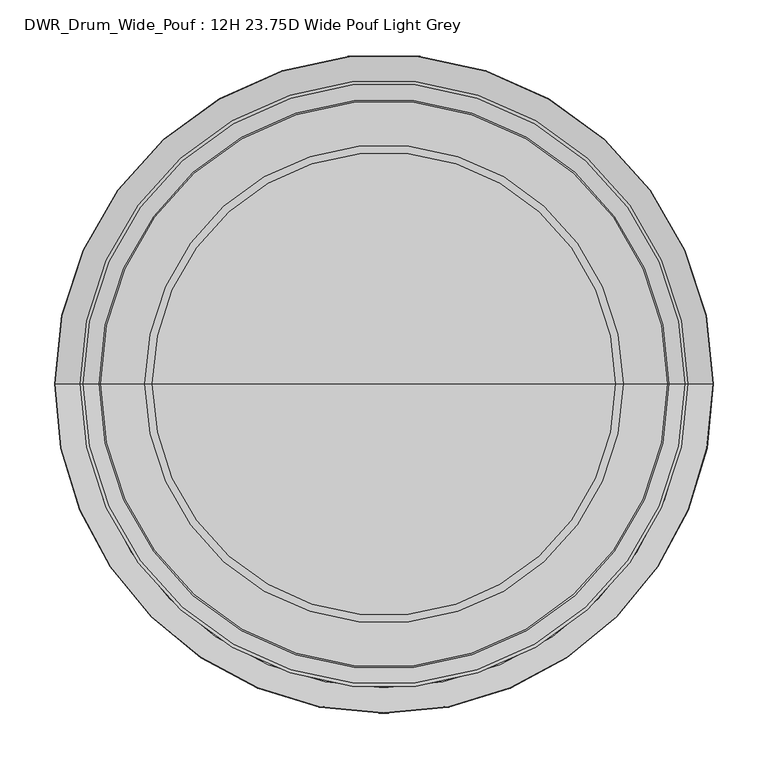
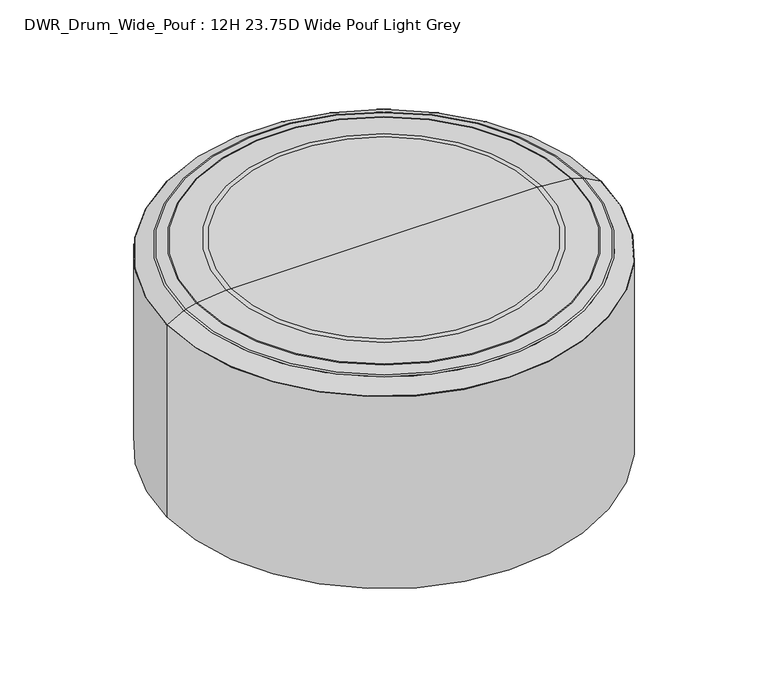
"""IFC4 building model written with IfcOpenShell, lengths in millimetres: furniture geometry, DWR_Drum_Wide_Pouf : 12H 23.75D Wide Pouf Light Grey."""

from ifc_helpers import new_model, si_unit, point, frame, origin, place, context, project, spatial, polyline, circle_curve, ellipse_curve, trimmed, source, transform, mapped, element, save
from ifc_brep_helpers import plane_surface, cylinder_surface, revolved_surface, advanced_brep


def dwr_drum_wide_pouf_12h_23_75d_wide_pouf_light_grey_57a9ba8d(model_context):
    return source(origin(), model_context, "Body", "AdvancedBrep", [
        advanced_brep(
        [(301.7490234, 0.0, 0.0), (-301.5009766, 0.0, 0.0), (-301.5009766, 0.0, 282.0320796), (301.7490234, 0.0, 282.0320796), (0.1240234, 0.0, 0.0), (212.1303557, 0.0, 304.8), (-211.8823089, 0.0, 304.8), (0.1240234, 0.0, 304.8), (219.0920231, 0.0, 304.4704557), (-218.8439762, 0.0, 304.4704557), (259.489531, 0.0, 300.6372738), (-259.2414841, 0.0, 300.6372738), (260.9167711, 0.0, 300.3673312), (-260.6687242, 0.0, 300.3673312), (275.43739, 0.0, 296.2036107), (-275.1893432, 0.0, 296.2036107), (278.2688738, 0.0, 295.059617), (-278.020827, 0.0, 295.059617), (301.2696531, 0.0, 282.8298857), (-301.0216063, 0.0, 282.8298857)],
        [
            (0, 1, circle_curve(frame((0.1240234, 0.0, 0.0), z_axis=(0.0, 0.0, 1.0), x_axis=(-1.0, 0.0, 0.0)), 301.625)),
            (1, 2),
            (2, 3, circle_curve(frame((0.1240234, 0.0, 282.0320796), z_axis=(0.0, 0.0, -1.0), x_axis=(-1.0, 0.0, 0.0)), 301.625)),
            (3, 0),
            (1, 0, circle_curve(frame((0.1240234, 0.0, 0.0), z_axis=(0.0, 0.0, 1.0), x_axis=(-1.0, 0.0, 0.0)), 301.625)),
            (3, 2, circle_curve(frame((0.1240234, 0.0, 282.0320796), z_axis=(0.0, 0.0, -1.0), x_axis=(-1.0, 0.0, 0.0)), 301.625)),
            (4, 1),
            (0, 4),
            (5, 6, circle_curve(frame((0.1240234, 0.0, 304.8), z_axis=(0.0, 0.0, 1.0), x_axis=(-1.0, 0.0, 0.0)), 212.0063323)),
            (6, 7),
            (7, 5),
            (6, 5, circle_curve(frame((0.1240234, 0.0, 304.8), z_axis=(0.0, 0.0, 1.0), x_axis=(-1.0, 0.0, 0.0)), 212.0063323)),
            (8, 9, circle_curve(frame((0.1240234, 0.0, 304.4704557), z_axis=(0.0, 0.0, 1.0), x_axis=(-1.0, 0.0, 0.0)), 218.9679997)),
            (9, 6, circle_curve(frame((-211.8823089, 0.0, 231.1021614), z_axis=(0.0, 1.0, 0.0), x_axis=(1.0, 0.0, 0.0)), 73.6978386)),
            (5, 8, circle_curve(frame((212.1303557, 0.0, 231.1021614), z_axis=(0.0, 1.0, 0.0), x_axis=(-1.0, 0.0, 0.0)), 73.6978386)),
            (9, 8, circle_curve(frame((0.1240234, 0.0, 304.4704557), z_axis=(0.0, 0.0, 1.0), x_axis=(-1.0, 0.0, 0.0)), 218.9679997)),
            (10, 11, circle_curve(frame((0.1240234, 0.0, 300.6372738), z_axis=(0.0, 0.0, 1.0), x_axis=(-1.0, 0.0, 0.0)), 259.3655075)),
            (11, 9),
            (8, 10),
            (11, 10, circle_curve(frame((0.1240234, 0.0, 300.6372738), z_axis=(0.0, 0.0, 1.0), x_axis=(-1.0, 0.0, 0.0)), 259.3655075)),
            (12, 13, circle_curve(frame((0.1240234, 0.0, 300.3673312), z_axis=(0.0, 0.0, 1.0), x_axis=(-1.0, 0.0, 0.0)), 260.7927476)),
            (13, 11, circle_curve(frame((-258.4973398, 0.0, 292.794814), z_axis=(0.0, 1.0, 0.0), x_axis=(1.0, 0.0, 0.0)), 7.8776853)),
            (10, 12, circle_curve(frame((258.7453867, 0.0, 292.794814), z_axis=(0.0, 1.0, 0.0), x_axis=(-1.0, 0.0, 0.0)), 7.8776853)),
            (13, 12, circle_curve(frame((0.1240234, 0.0, 300.3673312), z_axis=(0.0, 0.0, 1.0), x_axis=(-1.0, 0.0, 0.0)), 260.7927476)),
            (14, 15, circle_curve(frame((0.1240234, 0.0, 296.2036107), z_axis=(0.0, 0.0, 1.0), x_axis=(-1.0, 0.0, 0.0)), 275.3133666)),
            (15, 13),
            (12, 14),
            (15, 14, circle_curve(frame((0.1240234, 0.0, 296.2036107), z_axis=(0.0, 0.0, 1.0), x_axis=(-1.0, 0.0, 0.0)), 275.3133666)),
            (16, 17, circle_curve(frame((0.1240234, 0.0, 295.059617), z_axis=(0.0, 0.0, 1.0), x_axis=(-1.0, 0.0, 0.0)), 278.1448504)),
            (17, 15, circle_curve(frame((-271.1628985, 0.0, 282.1617295), z_axis=(0.0, 1.0, 0.0), x_axis=(1.0, 0.0, 0.0)), 14.6077611)),
            (14, 16, circle_curve(frame((271.4109454, 0.0, 282.1617295), z_axis=(0.0, 1.0, 0.0), x_axis=(-1.0, 0.0, 0.0)), 14.6077611)),
            (17, 16, circle_curve(frame((0.1240234, 0.0, 295.059617), z_axis=(0.0, 0.0, 1.0), x_axis=(-1.0, 0.0, 0.0)), 278.1448504)),
            (18, 19, circle_curve(frame((0.1240234, 0.0, 282.8298857), z_axis=(0.0, 0.0, 1.0), x_axis=(-1.0, 0.0, 0.0)), 301.1456297)),
            (19, 17),
            (16, 18),
            (19, 18, circle_curve(frame((0.1240234, 0.0, 282.8298857), z_axis=(0.0, 0.0, 1.0), x_axis=(-1.0, 0.0, 0.0)), 301.1456297)),
            (2, 19, circle_curve(frame((-300.5974052, 0.0, 282.0320796), z_axis=(0.0, 1.0, 0.0), x_axis=(1.0, 0.0, 0.0)), 0.9035714)),
            (18, 3, circle_curve(frame((300.8454521, 0.0, 282.0320796), z_axis=(0.0, 1.0, 0.0), x_axis=(-1.0, 0.0, 0.0)), 0.9035714)),
        ],
        [
            cylinder_surface(frame((0.1240234, 0.0, 234.95), z_axis=(0.0, 0.0, -1.0), x_axis=(-1.0, 0.0, 0.0)), 301.625),
            plane_surface(frame((0.1240234, 0.0, 0.0), z_axis=(0.0, 0.0, -1.0), x_axis=(-1.0, 0.0, 0.0))),
            plane_surface(frame((0.1240234, 0.0, 304.8), z_axis=(0.0, 0.0, 1.0), x_axis=(-1.0, 0.0, 0.0))),
            revolved_surface(trimmed(ellipse_curve(frame((-211.8823089, 0.0, 231.1021614), z_axis=(0.0, -1.0, 0.0), x_axis=(1.0, 0.0, 0.0)), 73.6978386, 73.6978386), [point((-211.8823089, 0.0, 304.8))], [point((-218.8439762, 0.0, 304.4704557))], True, "CARTESIAN"), (0.1240234, 0.0, 234.95), (0.0, 0.0, -1.0)),
            revolved_surface(polyline([(-218.8439762, 0.0, 304.4704557), (-259.2414841, 0.0, 300.6372738)]), (0.1240234, 0.0, 234.95), (0.0, 0.0, -1.0)),
            revolved_surface(trimmed(ellipse_curve(frame((-258.4973398, 0.0, 292.794814), z_axis=(0.0, -1.0, 0.0), x_axis=(1.0, 0.0, 0.0)), 7.8776853, 7.8776853), [point((-259.2414841, 0.0, 300.6372738))], [point((-260.6687242, 0.0, 300.3673312))], True, "CARTESIAN"), (0.1240234, 0.0, 234.95), (0.0, 0.0, -1.0)),
            revolved_surface(polyline([(-260.6687242, 0.0, 300.3673312), (-275.1893432, 0.0, 296.2036107)]), (0.1240234, 0.0, 234.95), (0.0, 0.0, -1.0)),
            revolved_surface(trimmed(ellipse_curve(frame((-271.1628985, 0.0, 282.1617295), z_axis=(0.0, -1.0, 0.0), x_axis=(1.0, 0.0, 0.0)), 14.6077611, 14.6077611), [point((-275.1893432, 0.0, 296.2036107))], [point((-278.020827, 0.0, 295.059617))], True, "CARTESIAN"), (0.1240234, 0.0, 234.95), (0.0, 0.0, -1.0)),
            revolved_surface(polyline([(-278.020827, 0.0, 295.059617), (-301.0216063, 0.0, 282.8298857)]), (0.1240234, 0.0, 234.95), (0.0, 0.0, -1.0)),
            revolved_surface(trimmed(ellipse_curve(frame((-300.5974052, 0.0, 282.0320796), z_axis=(0.0, -1.0, 0.0), x_axis=(1.0, 0.0, 0.0)), 0.9035714, 0.9035714), [point((-301.0216063, 0.0, 282.8298857))], [point((-301.5009766, 0.0, 282.0320796))], True, "CARTESIAN"), (0.1240234, 0.0, 234.95), (0.0, 0.0, -1.0)),
        ],
        [
            (0, [[1, 2, 3, 4]]),
            (0, [[5, -4, 6, -2]]),
            (1, [[7, -1, 8]]),
            (1, [[-8, -5, -7]]),
            (2, [[9, 10, 11]]),
            (2, [[12, -11, -10]]),
            (3, [[13, 14, -9, 15]]),
            (3, [[16, -15, -12, -14]]),
            (4, [[17, 18, -13, 19]]),
            (4, [[20, -19, -16, -18]]),
            (5, [[21, 22, -17, 23]]),
            (5, [[24, -23, -20, -22]]),
            (6, [[25, 26, -21, 27]]),
            (6, [[28, -27, -24, -26]]),
            (7, [[29, 30, -25, 31]]),
            (7, [[32, -31, -28, -30]]),
            (8, [[33, 34, -29, 35]]),
            (8, [[36, -35, -32, -34]]),
            (9, [[-3, 37, -33, 38]]),
            (9, [[-6, -38, -36, -37]]),
        ],
    ),
    ])


if __name__ == "__main__":
    model = new_model("IFC4")
    model_context = context("Model", 3, world=origin())
    ifc_project = project(units=[si_unit("LENGTHUNIT", "METRE", prefix="MILLI")], contexts=[model_context])
    site = spatial("IfcSite", under=ifc_project)
    building = spatial("IfcBuilding", under=site)
    placement = place(None, origin())
    dwr_drum_wide_pouf_12h_23_75d_wide_pouf_light_grey_shape = dwr_drum_wide_pouf_12h_23_75d_wide_pouf_light_grey_57a9ba8d(model_context)
    element("IfcFurniture", 1, ObjectType="DWR_Drum_Wide_Pouf : 12H 23.75D Wide Pouf Light Grey", at=placement, inside=building, context=model_context, shape_type="MappedRepresentation", body=[
        mapped(dwr_drum_wide_pouf_12h_23_75d_wide_pouf_light_grey_shape, transform((0.0, 0.0, 0.0), x_axis=(1.0, 0.0, 0.0), y_axis=(0.0, 1.0, 0.0), z_axis=(0.0, 0.0, 1.0))),
    ])
    save(model, "model.ifc")
